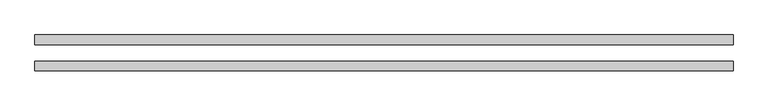
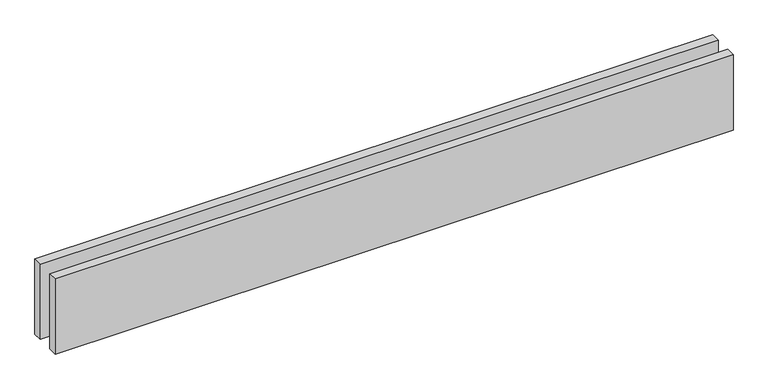
"""IFC4 building model written with IfcOpenShell, lengths in millimetres: proxy geometry."""

from ifc_helpers import new_model, si_unit, origin, origin_with_axes, place, context, project, spatial, polyline, outline, extrude, source, transform, mapped, element, save


def generic_models_2674f9ba(model_context):
    return source(origin(), model_context, "Body", "SweptSolid", [
        extrude(outline(polyline([(2135.0, -25.0), (2135.0, -55.0), (0.0, -55.0), (0.0, -25.0), (2135.0, -25.0)])), origin_with_axes(), (0.0, 0.0, 1.0), 250.0),
        extrude(outline(polyline([(2135.0, 55.0), (2135.0, 25.0), (0.0, 25.0), (0.0, 55.0), (2135.0, 55.0)])), origin_with_axes(), (0.0, 0.0, 1.0), 250.0),
    ])


if __name__ == "__main__":
    model = new_model("IFC4")
    model_context = context("Model", 3, world=origin())
    ifc_project = project(units=[si_unit("LENGTHUNIT", "METRE", prefix="MILLI")], contexts=[model_context])
    site = spatial("IfcSite", under=ifc_project)
    building = spatial("IfcBuilding", under=site)
    placement = place(None, origin())
    generic_models_shape = generic_models_2674f9ba(model_context)
    element("IfcBuildingElementProxy", 1, Name="Generic Models", at=placement, inside=building, context=model_context, shape_type="MappedRepresentation", body=[
        mapped(generic_models_shape, transform((0.0, 0.0, 0.0), x_axis=(1.0, 0.0, 0.0), y_axis=(0.0, 1.0, 0.0), z_axis=(0.0, 0.0, 1.0))),
    ])
    save(model, "model.ifc")
